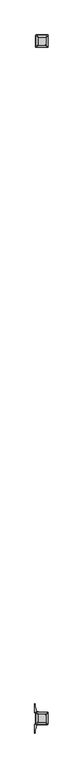
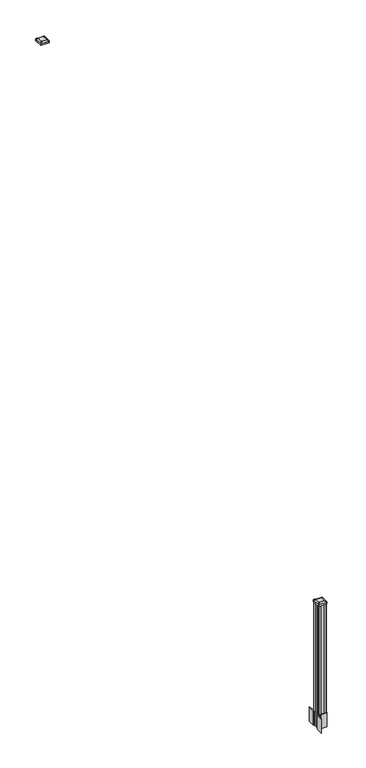
"""IFC4 building model written with IfcOpenShell, lengths in millimetres: railing geometry."""

from ifc_helpers import new_model, si_unit, point, frame, frame_2d, origin, place, context, project, spatial, polyline, circle_curve, trimmed, segment, composite_curve, outline, extrude, source, transform, mapped, element, save
from ifc_brep_helpers import plane_surface, extruded_surface, advanced_brep


def railing_b3544206(model_context):
    return source(origin(), model_context, "Body", "SolidModel", [
        advanced_brep(
        [(9677.4407728, -82569.2327203, 4476.715513), (9729.0345228, -82569.2327203, 4476.715513), (9732.2095228, -82566.0577203, 4476.715513), (9732.2095228, -82514.4639703, 4476.715513), (9729.0345228, -82511.2889703, 4476.715513), (9677.4407728, -82511.2889703, 4476.715513), (9674.2657728, -82514.4639703, 4476.715513), (9674.2657728, -82566.0577203, 4476.715513), (9661.1688978, -82585.5045953, 4465.412513), (9657.9938978, -82582.3295953, 4465.412513), (9657.9938978, -82498.1920953, 4465.412513), (9661.1688978, -82495.0170953, 4465.412513), (9745.3063978, -82495.0170953, 4465.412513), (9748.4813978, -82498.1920953, 4465.412513), (9748.4813978, -82582.3295953, 4465.412513), (9745.3063978, -82585.5045953, 4465.412513)],
        [
            (0, 1),
            (1, 2, circle_curve(frame((9729.0345228, -82566.0577203, 4476.715513), z_axis=(0.0, 0.0, 1.0), x_axis=(0.0, 1.0, 0.0)), 3.175)),
            (2, 3),
            (3, 4, circle_curve(frame((9729.0345228, -82514.4639703, 4476.715513), z_axis=(0.0, 0.0, 1.0), x_axis=(0.0, 1.0, 0.0)), 3.175)),
            (4, 5),
            (5, 6, circle_curve(frame((9677.4407728, -82514.4639703, 4476.715513), z_axis=(0.0, 0.0, 1.0), x_axis=(0.0, 1.0, 0.0)), 3.175)),
            (6, 7),
            (7, 0, circle_curve(frame((9677.4407728, -82566.0577203, 4476.715513), z_axis=(0.0, 0.0, 1.0), x_axis=(0.0, 1.0, 0.0)), 3.175)),
            (8, 9, circle_curve(frame((9661.1688978, -82582.3295953, 4465.412513), z_axis=(0.0, 0.0, -1.0), x_axis=(0.0, 1.0, 0.0)), 3.175)),
            (9, 10),
            (10, 11, circle_curve(frame((9661.1688978, -82498.1920953, 4465.412513), z_axis=(0.0, 0.0, -1.0), x_axis=(0.0, 1.0, 0.0)), 3.175)),
            (11, 12),
            (12, 13, circle_curve(frame((9745.3063978, -82498.1920953, 4465.412513), z_axis=(0.0, 0.0, -1.0), x_axis=(0.0, 1.0, 0.0)), 3.175)),
            (13, 14),
            (14, 15, circle_curve(frame((9745.3063978, -82582.3295953, 4465.412513), z_axis=(0.0, 0.0, -1.0), x_axis=(0.0, 1.0, 0.0)), 3.175)),
            (15, 8),
            (8, 0),
            (7, 9),
            (6, 10),
            (5, 11),
            (4, 12),
            (3, 13),
            (2, 14),
            (1, 15),
        ],
        [
            plane_surface(frame((9703.2376478, -82540.2608453, 4476.715513), z_axis=(0.0, 0.0, 1.0), x_axis=(-1.0, 0.0, 0.0))),
            plane_surface(frame((9703.2376478, -82540.2608453, 4465.412513), z_axis=(0.0, 0.0, -1.0), x_axis=(-1.0, 0.0, 0.0))),
            extruded_surface(trimmed(circle_curve(frame((9677.4407728, -82566.0577203, 4476.715513), z_axis=(0.0, 0.0, -1.0), x_axis=(0.0, 1.0, 0.0)), 3.175), [point((9677.4407728, -82569.2327203, 4476.715513))], [point((9674.2657728, -82566.0577203, 4476.715513))], True, "CARTESIAN"), (-16.271875000000364, -16.27187500000582, -11.302999999999884), 25.637972638870036),
            plane_surface(frame((9657.9938978, -82540.2608453, 4465.412513), z_axis=(-0.5705009161540685, 0.0, 0.8212969649690474), x_axis=(0.0, 1.0, 0.0))),
            extruded_surface(trimmed(circle_curve(frame((9677.4407728, -82514.4639703, 4476.715513), z_axis=(0.0, 0.0, -1.0), x_axis=(0.0, 1.0, 0.0)), 3.175), [point((9674.2657728, -82514.4639703, 4476.715513))], [point((9677.4407728, -82511.2889703, 4476.715513))], True, "CARTESIAN"), (-16.271875000000364, 16.27187500000582, -11.302999999999884), 25.637972638870036),
            plane_surface(frame((9703.2376478, -82495.0170953, 4465.412513), z_axis=(0.0, 0.5705009161540291, 0.8212969649690747), x_axis=(1.0, 0.0, 0.0))),
            extruded_surface(trimmed(circle_curve(frame((9729.0345228, -82514.4639703, 4476.715513), z_axis=(0.0, 0.0, -1.0), x_axis=(0.0, 1.0, 0.0)), 3.175), [point((9729.0345228, -82511.2889703, 4476.715513))], [point((9732.2095228, -82514.4639703, 4476.715513))], True, "CARTESIAN"), (16.271874999998545, 16.27187500000582, -11.302999999999884), 25.63797263886888),
            plane_surface(frame((9748.4813978, -82540.2608453, 4465.412513), z_axis=(0.5705009161540235, 0.0, 0.8212969649690786), x_axis=(0.0, -1.0, 0.0))),
            extruded_surface(trimmed(circle_curve(frame((9729.0345228, -82566.0577203, 4476.715513), z_axis=(0.0, 0.0, -1.0), x_axis=(0.0, 1.0, 0.0)), 3.175), [point((9732.2095228, -82566.0577203, 4476.715513))], [point((9729.0345228, -82569.2327203, 4476.715513))], True, "CARTESIAN"), (16.271874999998545, -16.27187500000582, -11.302999999999884), 25.63797263886888),
            plane_surface(frame((9703.2376478, -82585.5045953, 4465.412513), z_axis=(0.0, -0.570500916154034, 0.8212969649690713), x_axis=(-1.0, 0.0, 0.0))),
        ],
        [
            (0, [[1, 2, 3, 4, 5, 6, 7, 8]]),
            (1, [[9, 10, 11, 12, 13, 14, 15, 16]]),
            (2, [[17, -8, 18, -9]]),
            (3, [[-18, -7, 19, -10]]),
            (4, [[-19, -6, 20, -11]]),
            (5, [[-20, -5, 21, -12]]),
            (6, [[-21, -4, 22, -13]]),
            (7, [[-22, -3, 23, -14]]),
            (8, [[-23, -2, 24, -15]]),
            (9, [[-24, -1, -17, -16]]),
        ],
    ),
        extrude(outline(composite_curve([segment(trimmed(circle_curve(frame_2d((9661.1688978, -82582.3295953)), 3.175), [point((9661.1688978, -82585.5045953))], [point((9657.9938978, -82582.3295953))], False, "CARTESIAN"), True, "CONTINUOUS"), segment(polyline([(9657.9938978, -82582.3295953), (9657.9938978, -82498.1920953)]), True, "CONTINUOUS"), segment(trimmed(circle_curve(frame_2d((9661.1688978, -82498.1920953)), 3.175), [point((9657.9938978, -82498.1920953))], [point((9661.1688978, -82495.0170953))], False, "CARTESIAN"), True, "CONTINUOUS"), segment(polyline([(9661.1688978, -82495.0170953), (9745.3063978, -82495.0170953)]), True, "CONTINUOUS"), segment(trimmed(circle_curve(frame_2d((9745.3063978, -82498.1920953)), 3.175), [point((9745.3063978, -82495.0170953))], [point((9748.4813978, -82498.1920953))], False, "CARTESIAN"), True, "CONTINUOUS"), segment(polyline([(9748.4813978, -82498.1920953), (9748.4813978, -82582.3295953)]), True, "CONTINUOUS"), segment(trimmed(circle_curve(frame_2d((9745.3063978, -82582.3295953)), 3.175), [point((9748.4813978, -82582.3295953))], [point((9745.3063978, -82585.5045953))], False, "CARTESIAN"), True, "CONTINUOUS"), segment(polyline([(9745.3063978, -82585.5045953), (9661.1688978, -82585.5045953)]), True, "CONTINUOUS")], self_intersect=False)), frame((0.0, 0.0, 4448.140513), z_axis=(0.0, 0.0, 1.0), x_axis=(1.0, 0.0, 0.0)), (0.0, 0.0, 1.0), 17.272),
        extrude(outline(composite_curve([segment(polyline([(9745.9731478, -87517.2509401), (9747.5606478, -87518.0129401), (9747.5606478, -87540.8148682), (9744.1876707, -87544.1878453), (9682.7279999, -87544.1878453), (9682.7279999, -87545.1085953), (9677.4104561, -87545.1085953), (9677.4104561, -87546.56285), (9672.3259264, -87546.56285), (9672.3259264, -87547.8468738), (9670.6586541, -87547.8468738)]), True, "CONTINUOUS"), segment(trimmed(circle_curve(frame_2d((9670.6586541, -87554.9063337)), 7.0594599), [point((9670.6586541, -87547.8468738))], [point((9663.8913912, -87552.896327))], True, "CARTESIAN"), True, "CONTINUOUS"), segment(polyline([(9663.8913912, -87552.896327), (9656.0171969, -87579.4070561)]), True, "CONTINUOUS"), segment(trimmed(circle_curve(frame_2d((9710.8017103, -87595.6791057)), 57.15), [point((9656.0171969, -87579.4070561))], [point((9653.6517103, -87595.6791057))], True, "CARTESIAN"), True, "CONTINUOUS"), segment(polyline([(9653.6517103, -87595.6791057), (9653.6517103, -87607.6878453), (9650.6517103, -87607.6878453), (9650.6517103, -87542.6003453), (9658.9146478, -87531.262054), (9658.9146478, -87518.0129401), (9660.5021478, -87517.2509401), (9660.5021478, -87482.4787504), (9658.9146478, -87481.7167504), (9658.9146478, -87468.4676366), (9650.6517103, -87457.1293453), (9650.6517103, -87392.0418453), (9653.6517103, -87392.0418453), (9653.6517103, -87404.0505848)]), True, "CONTINUOUS"), segment(trimmed(circle_curve(frame_2d((9710.8017103, -87404.0505848)), 57.15), [point((9653.6517103, -87404.0505848))], [point((9656.0171969, -87420.3226345))], True, "CARTESIAN"), True, "CONTINUOUS"), segment(polyline([(9656.0171969, -87420.3226345), (9663.8913912, -87446.8333636)]), True, "CONTINUOUS"), segment(trimmed(circle_curve(frame_2d((9670.6586541, -87444.8233569)), 7.0594599), [point((9663.8913912, -87446.8333636))], [point((9670.6586541, -87451.8828168))], True, "CARTESIAN"), True, "CONTINUOUS"), segment(polyline([(9670.6586541, -87451.8828168), (9672.3259264, -87451.8828168), (9672.3259264, -87453.1668406), (9677.4104561, -87453.1668406), (9677.4104561, -87454.6210953), (9682.7279999, -87454.6210953), (9682.7279999, -87455.5418453), (9744.1876707, -87455.5418453), (9747.5606478, -87458.9148224), (9747.5606478, -87481.7167504), (9745.9731478, -87482.4787504), (9745.9731478, -87517.2509401)]), True, "CONTINUOUS")], self_intersect=False), holes=[polyline([(9661.9626478, -87460.1773453), (9661.9626478, -87539.5523453), (9663.5501478, -87541.1398453), (9700.4744304, -87541.1398453), (9742.9251478, -87541.1398453), (9744.5126478, -87539.5523453), (9744.5126478, -87460.1773453), (9742.9251478, -87458.5898453), (9700.4744304, -87458.5898453), (9663.5501478, -87458.5898453), (9661.9626478, -87460.1773453)])]), frame((0.0, 0.0, 12.22375), z_axis=(0.0, 0.0, 1.0), x_axis=(1.0, 0.0, 0.0)), (0.0, 0.0, 1.0), 152.4),
        advanced_brep(
        [(9677.4407728, -87528.8367203, 1376.963013), (9729.0345228, -87528.8367203, 1376.963013), (9732.2095228, -87525.6617203, 1376.963013), (9732.2095228, -87474.0679703, 1376.963013), (9729.0345228, -87470.8929703, 1376.963013), (9677.4407728, -87470.8929703, 1376.963013), (9674.2657728, -87474.0679703, 1376.963013), (9674.2657728, -87525.6617203, 1376.963013), (9661.1688978, -87545.1085953, 1365.660013), (9657.9938978, -87541.9335953, 1365.660013), (9657.9938978, -87457.7960953, 1365.660013), (9661.1688978, -87454.6210953, 1365.660013), (9745.3063978, -87454.6210953, 1365.660013), (9748.4813978, -87457.7960953, 1365.660013), (9748.4813978, -87541.9335953, 1365.660013), (9745.3063978, -87545.1085953, 1365.660013)],
        [
            (0, 1),
            (1, 2, circle_curve(frame((9729.0345228, -87525.6617203, 1376.963013), z_axis=(0.0, 0.0, 1.0), x_axis=(0.0, 1.0, 0.0)), 3.175)),
            (2, 3),
            (3, 4, circle_curve(frame((9729.0345228, -87474.0679703, 1376.963013), z_axis=(0.0, 0.0, 1.0), x_axis=(0.0, 1.0, 0.0)), 3.175)),
            (4, 5),
            (5, 6, circle_curve(frame((9677.4407728, -87474.0679703, 1376.963013), z_axis=(0.0, 0.0, 1.0), x_axis=(0.0, 1.0, 0.0)), 3.175)),
            (6, 7),
            (7, 0, circle_curve(frame((9677.4407728, -87525.6617203, 1376.963013), z_axis=(0.0, 0.0, 1.0), x_axis=(0.0, 1.0, 0.0)), 3.175)),
            (8, 9, circle_curve(frame((9661.1688978, -87541.9335953, 1365.660013), z_axis=(0.0, 0.0, -1.0), x_axis=(0.0, 1.0, 0.0)), 3.175)),
            (9, 10),
            (10, 11, circle_curve(frame((9661.1688978, -87457.7960953, 1365.660013), z_axis=(0.0, 0.0, -1.0), x_axis=(0.0, 1.0, 0.0)), 3.175)),
            (11, 12),
            (12, 13, circle_curve(frame((9745.3063978, -87457.7960953, 1365.660013), z_axis=(0.0, 0.0, -1.0), x_axis=(0.0, 1.0, 0.0)), 3.175)),
            (13, 14),
            (14, 15, circle_curve(frame((9745.3063978, -87541.9335953, 1365.660013), z_axis=(0.0, 0.0, -1.0), x_axis=(0.0, 1.0, 0.0)), 3.175)),
            (15, 8),
            (8, 0),
            (7, 9),
            (6, 10),
            (5, 11),
            (4, 12),
            (3, 13),
            (2, 14),
            (1, 15),
        ],
        [
            plane_surface(frame((9703.2376478, -87499.8648453, 1376.963013), z_axis=(0.0, 0.0, 1.0), x_axis=(-1.0, 0.0, 0.0))),
            plane_surface(frame((9703.2376478, -87499.8648453, 1365.660013), z_axis=(0.0, 0.0, -1.0), x_axis=(-1.0, 0.0, 0.0))),
            extruded_surface(trimmed(circle_curve(frame((9677.4407728, -87525.6617203, 1376.963013), z_axis=(0.0, 0.0, -1.0), x_axis=(0.0, 1.0, 0.0)), 3.175), [point((9677.4407728, -87528.8367203, 1376.963013))], [point((9674.2657728, -87525.6617203, 1376.963013))], True, "CARTESIAN"), (-16.271875000000364, -16.27187499999127, -11.303000000000111), 25.6379726388609),
            plane_surface(frame((9657.9938978, -87499.8648453, 1365.660013), z_axis=(-0.5705009161540778, 0.0, 0.8212969649690408), x_axis=(0.0, 1.0, 0.0))),
            extruded_surface(trimmed(circle_curve(frame((9677.4407728, -87474.0679703, 1376.963013), z_axis=(0.0, 0.0, -1.0), x_axis=(0.0, 1.0, 0.0)), 3.175), [point((9674.2657728, -87474.0679703, 1376.963013))], [point((9677.4407728, -87470.8929703, 1376.963013))], True, "CARTESIAN"), (-16.271875000000364, 16.27187500000582, -11.303000000000111), 25.63797263887014),
            plane_surface(frame((9703.2376478, -87454.6210953, 1365.660013), z_axis=(0.0, 0.5705009161540291, 0.8212969649690747), x_axis=(1.0, 0.0, 0.0))),
            extruded_surface(trimmed(circle_curve(frame((9729.0345228, -87474.0679703, 1376.963013), z_axis=(0.0, 0.0, -1.0), x_axis=(0.0, 1.0, 0.0)), 3.175), [point((9729.0345228, -87470.8929703, 1376.963013))], [point((9732.2095228, -87474.0679703, 1376.963013))], True, "CARTESIAN"), (16.271874999998545, 16.27187500000582, -11.303000000000111), 25.63797263886898),
            plane_surface(frame((9748.4813978, -87499.8648453, 1365.660013), z_axis=(0.5705009161540142, 0.0, 0.8212969649690851), x_axis=(0.0, -1.0, 0.0))),
            extruded_surface(trimmed(circle_curve(frame((9729.0345228, -87525.6617203, 1376.963013), z_axis=(0.0, 0.0, -1.0), x_axis=(0.0, 1.0, 0.0)), 3.175), [point((9732.2095228, -87525.6617203, 1376.963013))], [point((9729.0345228, -87528.8367203, 1376.963013))], True, "CARTESIAN"), (16.271874999998545, -16.27187499999127, -11.303000000000111), 25.637972638859747),
            plane_surface(frame((9703.2376478, -87545.1085953, 1365.660013), z_axis=(0.0, -0.570500916154034, 0.8212969649690713), x_axis=(-1.0, 0.0, 0.0))),
        ],
        [
            (0, [[1, 2, 3, 4, 5, 6, 7, 8]]),
            (1, [[9, 10, 11, 12, 13, 14, 15, 16]]),
            (2, [[17, -8, 18, -9]]),
            (3, [[-18, -7, 19, -10]]),
            (4, [[-19, -6, 20, -11]]),
            (5, [[-20, -5, 21, -12]]),
            (6, [[-21, -4, 22, -13]]),
            (7, [[-22, -3, 23, -14]]),
            (8, [[-23, -2, 24, -15]]),
            (9, [[-24, -1, -17, -16]]),
        ],
    ),
        extrude(outline(composite_curve([segment(trimmed(circle_curve(frame_2d((9661.1688978, -87541.9335953)), 3.175), [point((9661.1688978, -87545.1085953))], [point((9657.9938978, -87541.9335953))], False, "CARTESIAN"), True, "CONTINUOUS"), segment(polyline([(9657.9938978, -87541.9335953), (9657.9938978, -87457.7960953)]), True, "CONTINUOUS"), segment(trimmed(circle_curve(frame_2d((9661.1688978, -87457.7960953)), 3.175), [point((9657.9938978, -87457.7960953))], [point((9661.1688978, -87454.6210953))], False, "CARTESIAN"), True, "CONTINUOUS"), segment(polyline([(9661.1688978, -87454.6210953), (9745.3063978, -87454.6210953)]), True, "CONTINUOUS"), segment(trimmed(circle_curve(frame_2d((9745.3063978, -87457.7960953)), 3.175), [point((9745.3063978, -87454.6210953))], [point((9748.4813978, -87457.7960953))], False, "CARTESIAN"), True, "CONTINUOUS"), segment(polyline([(9748.4813978, -87457.7960953), (9748.4813978, -87541.9335953)]), True, "CONTINUOUS"), segment(trimmed(circle_curve(frame_2d((9745.3063978, -87541.9335953)), 3.175), [point((9748.4813978, -87541.9335953))], [point((9745.3063978, -87545.1085953))], False, "CARTESIAN"), True, "CONTINUOUS"), segment(polyline([(9745.3063978, -87545.1085953), (9661.1688978, -87545.1085953)]), True, "CONTINUOUS")], self_intersect=False)), frame((0.0, 0.0, 1348.388013), z_axis=(0.0, 0.0, 1.0), x_axis=(1.0, 0.0, 0.0)), (0.0, 0.0, 1.0), 17.272),
        extrude(outline(polyline([(9663.5501478, -87541.1398453), (9661.9626478, -87539.5523453), (9661.9626478, -87519.9308453), (9663.5501478, -87519.1688453), (9663.5501478, -87480.5608453), (9661.9626478, -87479.7988453), (9661.9626478, -87460.1773453), (9663.5501478, -87458.5898453), (9683.1716478, -87458.5898453), (9683.9336478, -87460.1773453), (9722.5416478, -87460.1773453), (9723.3036478, -87458.5898453), (9742.9251478, -87458.5898453), (9744.5126478, -87460.1773453), (9744.5126478, -87479.7988453), (9742.9251478, -87480.5608453), (9742.9251478, -87519.1688453), (9744.5126478, -87519.9308453), (9744.5126478, -87539.5523453), (9742.9251478, -87541.1398453), (9723.3036478, -87541.1398453), (9722.5416478, -87539.5523453), (9683.9336478, -87539.5523453), (9683.1716478, -87541.1398453), (9663.5501478, -87541.1398453)])), frame((0.0, 0.0, 164.62375), z_axis=(0.0, 0.0, 1.0), x_axis=(1.0, 0.0, 0.0)), (0.0, 0.0, 1.0), 1183.764263),
    ])


if __name__ == "__main__":
    model = new_model("IFC4")
    model_context = context("Model", 3, world=origin())
    ifc_project = project(units=[si_unit("LENGTHUNIT", "METRE", prefix="MILLI")], contexts=[model_context])
    site = spatial("IfcSite", under=ifc_project)
    building = spatial("IfcBuilding", under=site)
    placement = place(None, origin())
    railing_shape = railing_b3544206(model_context)
    element("IfcRailing", 1, at=placement, inside=building, context=model_context, shape_type="MappedRepresentation", body=[
        mapped(railing_shape, transform((0.0, 0.0, 0.0), x_axis=(1.0, 0.0, 0.0), y_axis=(0.0, 1.0, 0.0), z_axis=(0.0, 0.0, 1.0))),
    ])
    save(model, "model.ifc")
